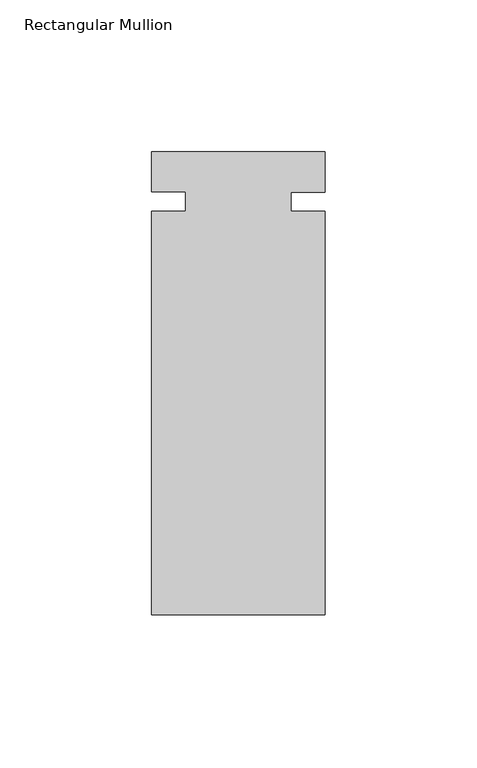
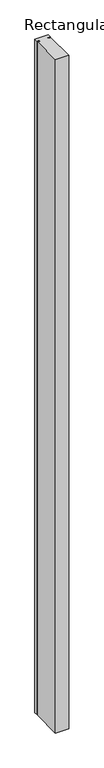
"""IFC4 building model written with IfcOpenShell, lengths in millimetres: member geometry, Rectangular Mullion."""

from ifc_helpers import new_model, si_unit, frame, origin, place, context, project, spatial, polyline, outline, extrude, source, transform, mapped, element, save


def rectangular_mullion_9f324495(model_context):
    return source(origin(), model_context, "Body", "SweptSolid", [
        extrude(outline(polyline([(0.0, -66.4249326), (-57.15, -66.4249326), (-57.15, 66.4208474), (-45.8978, 66.4208474), (-45.8978, 72.8204568), (-57.15, 72.8204568), (-57.15, 85.9750674), (0.0, 85.9750674), (0.0, 72.7260431), (-11.2522, 72.7260431), (-11.2522, 66.4249326), (0.0, 66.4249326), (0.0, -66.4249326)])), frame((0.0, 0.0, -3048.0), z_axis=(0.0, 0.0, 1.0), x_axis=(1.0, 0.0, 0.0)), (0.0, 0.0, 1.0), 3048.0),
    ])


if __name__ == "__main__":
    model = new_model("IFC4")
    model_context = context("Model", 3, world=origin())
    ifc_project = project(units=[si_unit("LENGTHUNIT", "METRE", prefix="MILLI")], contexts=[model_context])
    site = spatial("IfcSite", under=ifc_project)
    building = spatial("IfcBuilding", under=site)
    placement = place(None, origin())
    rectangular_mullion_shape = rectangular_mullion_9f324495(model_context)
    element("IfcMember", 1, ObjectType="Rectangular Mullion", at=placement, inside=building, context=model_context, shape_type="MappedRepresentation", body=[
        mapped(rectangular_mullion_shape, transform((0.0, 0.0, 0.0), x_axis=(1.0, 0.0, 0.0), y_axis=(0.0, 1.0, 0.0), z_axis=(0.0, 0.0, 1.0))),
    ])
    save(model, "model.ifc")
